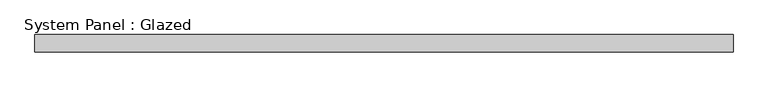
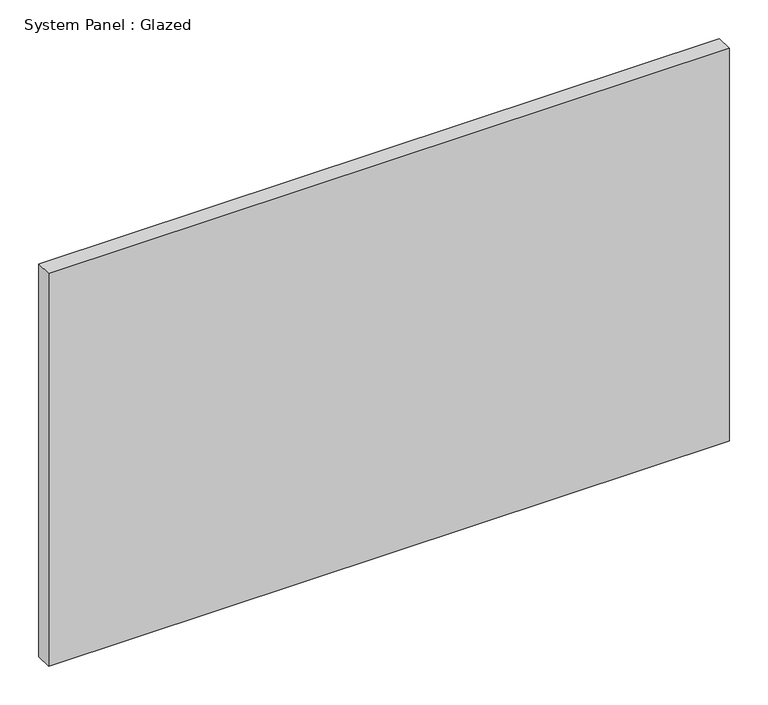
"""IFC4 building model written with IfcOpenShell, lengths in millimetres: plate geometry, System Panel : Glazed."""

from ifc_helpers import new_model, si_unit, origin, origin_with_axes, place, context, project, spatial, polyline, outline, extrude, source, transform, mapped, element, save


def system_panel_glazed_1c80d80d(model_context):
    return source(origin(), model_context, "Body", "SweptSolid", [
        extrude(outline(polyline([(508.0, 19.05), (-508.0, 19.05), (-508.0, 44.45), (508.0, 44.45), (508.0, 19.05)])), origin_with_axes(), (0.0, 0.0, 1.0), 619.8809524),
    ])


if __name__ == "__main__":
    model = new_model("IFC4")
    model_context = context("Model", 3, world=origin())
    ifc_project = project(units=[si_unit("LENGTHUNIT", "METRE", prefix="MILLI")], contexts=[model_context])
    site = spatial("IfcSite", under=ifc_project)
    building = spatial("IfcBuilding", under=site)
    placement = place(None, origin())
    system_panel_glazed_shape = system_panel_glazed_1c80d80d(model_context)
    element("IfcPlate", 1, ObjectType="System Panel : Glazed", at=placement, inside=building, context=model_context, shape_type="MappedRepresentation", body=[
        mapped(system_panel_glazed_shape, transform((0.0, 0.0, 0.0), x_axis=(1.0, 0.0, 0.0), y_axis=(0.0, 1.0, 0.0), z_axis=(0.0, 0.0, 1.0))),
    ])
    save(model, "model.ifc")
